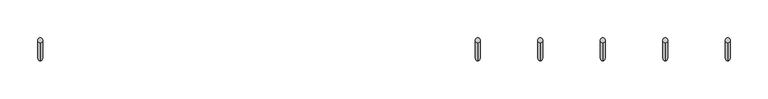
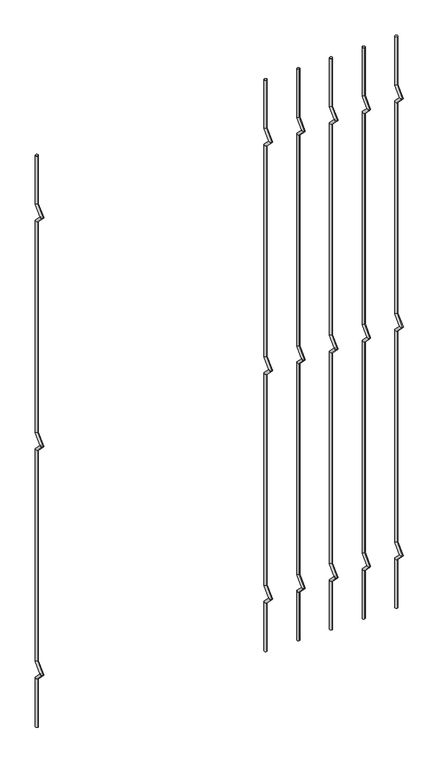
"""IFC4 building model written with IfcOpenShell, lengths in millimetres: railing geometry."""

from ifc_helpers import new_model, si_unit, frame, origin, place, context, project, spatial, circle_curve, ellipse_curve, source, transform, mapped, element, save
from ifc_brep_helpers import plane_surface, cylinder_surface, advanced_brep


def railing_b15d414a(model_context):
    return source(origin(), model_context, "Body", "AdvancedBrep", [
        advanced_brep(
        [(-20398.3556958, 13589.3554142, 25.4), (-20398.3556958, 13583.0054142, 25.4), (-20398.3556958, 13583.0054142, 154.0342316), (-20398.3556958, 13589.3554142, 156.6644878), (-20398.3556958, 13559.2396458, 177.8), (-20398.3556958, 13568.219902, 177.8), (-20398.3556958, 13583.0054142, 201.5657684), (-20398.3556958, 13589.3554142, 198.9355122), (-20398.3556958, 13583.0054142, 763.6342316), (-20398.3556958, 13589.3554142, 766.2644878), (-20398.3556958, 13559.2396458, 787.4), (-20398.3556958, 13568.219902, 787.4), (-20398.3556958, 13583.0054142, 811.1657684), (-20398.3556958, 13589.3554142, 808.5355122), (-20398.3556958, 13583.0054142, 1373.2342316), (-20398.3556958, 13589.3554142, 1375.8644878), (-20398.3556958, 13559.2396458, 1397.0), (-20398.3556958, 13568.219902, 1397.0), (-20398.3556958, 13583.0054142, 1420.7657684), (-20398.3556958, 13589.3554142, 1418.1355122), (-20398.3556958, 13589.3554142, 1549.4), (-20398.3556958, 13583.0054142, 1549.4)],
        [
            (0, 1, circle_curve(frame((-20398.3556958, 13586.1804142, 25.4), z_axis=(0.0, 0.0, -1.0), x_axis=(0.0, -1.0, 0.0)), 3.175)),
            (1, 0, circle_curve(frame((-20398.3556958, 13586.1804142, 25.4), z_axis=(0.0, 0.0, -1.0), x_axis=(0.0, -1.0, 0.0)), 3.175)),
            (1, 2),
            (2, 3, ellipse_curve(frame((-20398.3556958, 13586.1804142, 155.3493597), z_axis=(0.0, 0.3826834323650955, -0.9238795325112844), x_axis=(0.0, -0.9238795325112845, -0.38268343236509544)), 3.4365952, 3.175)),
            (3, 0),
            (3, 2, ellipse_curve(frame((-20398.3556958, 13586.1804142, 155.3493597), z_axis=(0.0, 0.3826834323650955, -0.9238795325112844), x_axis=(0.0, -0.9238795325112845, -0.38268343236509544)), 3.4365952, 3.175)),
            (2, 4),
            (4, 5, ellipse_curve(frame((-20398.3556958, 13563.7297739, 177.8), z_axis=(0.0, 0.0, -1.0), x_axis=(0.0, 1.0, 0.0)), 4.4901281, 3.175)),
            (5, 3),
            (5, 4, ellipse_curve(frame((-20398.3556958, 13563.7297739, 177.8), z_axis=(0.0, 0.0, -1.0), x_axis=(0.0, 1.0, 0.0)), 4.4901281, 3.175)),
            (4, 6),
            (6, 7, ellipse_curve(frame((-20398.3556958, 13586.1804142, 200.2506403), z_axis=(0.0, -0.3826834323650839, -0.9238795325112892), x_axis=(0.0, -0.9238795325112893, 0.38268343236508373)), 3.4365952, 3.175)),
            (7, 5),
            (7, 6, ellipse_curve(frame((-20398.3556958, 13586.1804142, 200.2506403), z_axis=(0.0, -0.3826834323650839, -0.9238795325112892), x_axis=(0.0, -0.9238795325112893, 0.38268343236508373)), 3.4365952, 3.175)),
            (6, 8),
            (8, 9, ellipse_curve(frame((-20398.3556958, 13586.1804142, 764.9493597), z_axis=(0.0, 0.3826834323651107, -0.9238795325112781), x_axis=(0.0, -0.9238795325112781, -0.3826834323651108)), 3.4365952, 3.175)),
            (9, 7),
            (9, 8, ellipse_curve(frame((-20398.3556958, 13586.1804142, 764.9493597), z_axis=(0.0, 0.3826834323651107, -0.9238795325112781), x_axis=(0.0, -0.9238795325112781, -0.3826834323651108)), 3.4365952, 3.175)),
            (8, 10),
            (10, 11, ellipse_curve(frame((-20398.3556958, 13563.7297739, 787.4), z_axis=(0.0, 0.0, -1.0), x_axis=(0.0, 1.0, 0.0)), 4.4901281, 3.175)),
            (11, 9),
            (11, 10, ellipse_curve(frame((-20398.3556958, 13563.7297739, 787.4), z_axis=(0.0, 0.0, -1.0), x_axis=(0.0, 1.0, 0.0)), 4.4901281, 3.175)),
            (10, 12),
            (12, 13, ellipse_curve(frame((-20398.3556958, 13586.1804142, 809.8506403), z_axis=(0.0, -0.3826834323650702, -0.9238795325112948), x_axis=(0.0, -0.9238795325112948, 0.38268343236507046)), 3.4365952, 3.175)),
            (13, 11),
            (13, 12, ellipse_curve(frame((-20398.3556958, 13586.1804142, 809.8506403), z_axis=(0.0, -0.3826834323650702, -0.9238795325112948), x_axis=(0.0, -0.9238795325112948, 0.38268343236507046)), 3.4365952, 3.175)),
            (12, 14),
            (14, 15, ellipse_curve(frame((-20398.3556958, 13586.1804142, 1374.5493597), z_axis=(0.0, 0.3826834323650811, -0.9238795325112903), x_axis=(0.0, -0.9238795325112901, -0.3826834323650815)), 3.4365952, 3.175)),
            (15, 13),
            (15, 14, ellipse_curve(frame((-20398.3556958, 13586.1804142, 1374.5493597), z_axis=(0.0, 0.3826834323650811, -0.9238795325112903), x_axis=(0.0, -0.9238795325112901, -0.3826834323650815)), 3.4365952, 3.175)),
            (14, 16),
            (16, 17, ellipse_curve(frame((-20398.3556958, 13563.7297739, 1397.0), z_axis=(0.0, 0.0, -1.0), x_axis=(0.0, 1.0, 0.0)), 4.4901281, 3.175)),
            (17, 15),
            (17, 16, ellipse_curve(frame((-20398.3556958, 13563.7297739, 1397.0), z_axis=(0.0, 0.0, -1.0), x_axis=(0.0, 1.0, 0.0)), 4.4901281, 3.175)),
            (16, 18),
            (18, 19, ellipse_curve(frame((-20398.3556958, 13586.1804142, 1419.4506403), z_axis=(0.0, -0.38268343236509844, -0.9238795325112833), x_axis=(0.0, -0.9238795325112827, 0.38268343236509916)), 3.4365952, 3.175)),
            (19, 17),
            (19, 18, ellipse_curve(frame((-20398.3556958, 13586.1804142, 1419.4506403), z_axis=(0.0, -0.38268343236509844, -0.9238795325112833), x_axis=(0.0, -0.9238795325112827, 0.38268343236509916)), 3.4365952, 3.175)),
            (20, 21, circle_curve(frame((-20398.3556958, 13586.1804142, 1549.4), z_axis=(0.0, 0.0, 1.0), x_axis=(0.0, -1.0, 0.0)), 3.175)),
            (21, 20, circle_curve(frame((-20398.3556958, 13586.1804142, 1549.4), z_axis=(0.0, 0.0, 1.0), x_axis=(0.0, -1.0, 0.0)), 3.175)),
            (18, 21),
            (20, 19),
        ],
        [
            plane_surface(frame((-20398.3556958, 13586.1804142, 25.4), z_axis=(0.0, 0.0, -1.0), x_axis=(-1.0, 0.0, 0.0))),
            cylinder_surface(frame((-20398.3556958, 13586.1804142, 25.4), z_axis=(0.0, 0.0, -1.0), x_axis=(0.0, -1.0, 0.0)), 3.175),
            cylinder_surface(frame((-20398.3556958, 13586.1804142, 155.3493597), z_axis=(0.0, 0.7071067811865563, -0.7071067811865388), x_axis=(0.0, -0.7071067811865388, -0.7071067811865563)), 3.175),
            cylinder_surface(frame((-20398.3556958, 13563.7297739, 177.8), z_axis=(0.0, -0.7071067811865385, -0.7071067811865568), x_axis=(0.0, -0.7071067811865568, 0.7071067811865385)), 3.175),
            cylinder_surface(frame((-20398.3556958, 13586.1804142, 200.2506403), z_axis=(0.0, 0.0, -1.0), x_axis=(0.0, -1.0, 0.0)), 3.175),
            cylinder_surface(frame((-20398.3556958, 13586.1804142, 764.9493597), z_axis=(0.0, 0.7071067811865798, -0.7071067811865153), x_axis=(0.0, -0.7071067811865153, -0.7071067811865798)), 3.175),
            cylinder_surface(frame((-20398.3556958, 13563.7297739, 787.4), z_axis=(0.0, -0.7071067811865173, -0.7071067811865779), x_axis=(0.0, -0.7071067811865779, 0.7071067811865173)), 3.175),
            cylinder_surface(frame((-20398.3556958, 13586.1804142, 809.8506403), z_axis=(0.0, 0.0, -1.0), x_axis=(0.0, -1.0, 0.0)), 3.175),
            cylinder_surface(frame((-20398.3556958, 13586.1804142, 1374.5493597), z_axis=(0.0, 0.7071067811865346, -0.7071067811865605), x_axis=(0.0, -0.7071067811865605, -0.7071067811865346)), 3.175),
            cylinder_surface(frame((-20398.3556958, 13563.7297739, 1397.0), z_axis=(0.0, -0.7071067811865608, -0.7071067811865344), x_axis=(0.0, -0.7071067811865344, 0.7071067811865608)), 3.175),
            plane_surface(frame((-20398.3556958, 13586.1804142, 1549.4), z_axis=(0.0, 0.0, 1.0), x_axis=(-1.0, 0.0, 0.0))),
            cylinder_surface(frame((-20398.3556958, 13586.1804142, 1419.4506403), z_axis=(0.0, 0.0, -1.0), x_axis=(0.0, -1.0, 0.0)), 3.175),
        ],
        [
            (0, [[1, 2]]),
            (1, [[3, 4, 5, -2]]),
            (1, [[-5, 6, -3, -1]]),
            (2, [[7, 8, 9, -4]]),
            (2, [[-9, 10, -7, -6]]),
            (3, [[11, 12, 13, -8]]),
            (3, [[-13, 14, -11, -10]]),
            (4, [[15, 16, 17, -12]]),
            (4, [[-17, 18, -15, -14]]),
            (5, [[19, 20, 21, -16]]),
            (5, [[-21, 22, -19, -18]]),
            (6, [[23, 24, 25, -20]]),
            (6, [[-25, 26, -23, -22]]),
            (7, [[27, 28, 29, -24]]),
            (7, [[-29, 30, -27, -26]]),
            (8, [[31, 32, 33, -28]]),
            (8, [[-33, 34, -31, -30]]),
            (9, [[35, 36, 37, -32]]),
            (9, [[-37, 38, -35, -34]]),
            (10, [[39, 40]]),
            (11, [[41, -39, 42, -36]]),
            (11, [[-42, -40, -41, -38]]),
        ],
    ),
        advanced_brep(
        [(-20315.8056958, 13589.3554142, 25.4), (-20315.8056958, 13583.0054142, 25.4), (-20315.8056958, 13583.0054142, 154.0342316), (-20315.8056958, 13589.3554142, 156.6644878), (-20315.8056958, 13559.2396458, 177.8), (-20315.8056958, 13568.219902, 177.8), (-20315.8056958, 13583.0054142, 201.5657684), (-20315.8056958, 13589.3554142, 198.9355122), (-20315.8056958, 13583.0054142, 763.6342316), (-20315.8056958, 13589.3554142, 766.2644878), (-20315.8056958, 13559.2396458, 787.4), (-20315.8056958, 13568.219902, 787.4), (-20315.8056958, 13583.0054142, 811.1657684), (-20315.8056958, 13589.3554142, 808.5355122), (-20315.8056958, 13583.0054142, 1373.2342316), (-20315.8056958, 13589.3554142, 1375.8644878), (-20315.8056958, 13559.2396458, 1397.0), (-20315.8056958, 13568.219902, 1397.0), (-20315.8056958, 13583.0054142, 1420.7657684), (-20315.8056958, 13589.3554142, 1418.1355122), (-20315.8056958, 13589.3554142, 1549.4), (-20315.8056958, 13583.0054142, 1549.4)],
        [
            (0, 1, circle_curve(frame((-20315.8056958, 13586.1804142, 25.4), z_axis=(0.0, 0.0, -1.0), x_axis=(0.0, -1.0, 0.0)), 3.175)),
            (1, 0, circle_curve(frame((-20315.8056958, 13586.1804142, 25.4), z_axis=(0.0, 0.0, -1.0), x_axis=(0.0, -1.0, 0.0)), 3.175)),
            (1, 2),
            (2, 3, ellipse_curve(frame((-20315.8056958, 13586.1804142, 155.3493597), z_axis=(0.0, 0.3826834323650955, -0.9238795325112844), x_axis=(0.0, -0.9238795325112845, -0.38268343236509544)), 3.4365952, 3.175)),
            (3, 0),
            (3, 2, ellipse_curve(frame((-20315.8056958, 13586.1804142, 155.3493597), z_axis=(0.0, 0.3826834323650955, -0.9238795325112844), x_axis=(0.0, -0.9238795325112845, -0.38268343236509544)), 3.4365952, 3.175)),
            (2, 4),
            (4, 5, ellipse_curve(frame((-20315.8056958, 13563.7297739, 177.8), z_axis=(0.0, 0.0, -1.0), x_axis=(0.0, 1.0, 0.0)), 4.4901281, 3.175)),
            (5, 3),
            (5, 4, ellipse_curve(frame((-20315.8056958, 13563.7297739, 177.8), z_axis=(0.0, 0.0, -1.0), x_axis=(0.0, 1.0, 0.0)), 4.4901281, 3.175)),
            (4, 6),
            (6, 7, ellipse_curve(frame((-20315.8056958, 13586.1804142, 200.2506403), z_axis=(0.0, -0.3826834323650839, -0.9238795325112892), x_axis=(0.0, -0.9238795325112893, 0.38268343236508373)), 3.4365952, 3.175)),
            (7, 5),
            (7, 6, ellipse_curve(frame((-20315.8056958, 13586.1804142, 200.2506403), z_axis=(0.0, -0.3826834323650839, -0.9238795325112892), x_axis=(0.0, -0.9238795325112893, 0.38268343236508373)), 3.4365952, 3.175)),
            (6, 8),
            (8, 9, ellipse_curve(frame((-20315.8056958, 13586.1804142, 764.9493597), z_axis=(0.0, 0.3826834323651107, -0.9238795325112781), x_axis=(0.0, -0.9238795325112781, -0.3826834323651108)), 3.4365952, 3.175)),
            (9, 7),
            (9, 8, ellipse_curve(frame((-20315.8056958, 13586.1804142, 764.9493597), z_axis=(0.0, 0.3826834323651107, -0.9238795325112781), x_axis=(0.0, -0.9238795325112781, -0.3826834323651108)), 3.4365952, 3.175)),
            (8, 10),
            (10, 11, ellipse_curve(frame((-20315.8056958, 13563.7297739, 787.4), z_axis=(0.0, 0.0, -1.0), x_axis=(0.0, 1.0, 0.0)), 4.4901281, 3.175)),
            (11, 9),
            (11, 10, ellipse_curve(frame((-20315.8056958, 13563.7297739, 787.4), z_axis=(0.0, 0.0, -1.0), x_axis=(0.0, 1.0, 0.0)), 4.4901281, 3.175)),
            (10, 12),
            (12, 13, ellipse_curve(frame((-20315.8056958, 13586.1804142, 809.8506403), z_axis=(0.0, -0.3826834323650702, -0.9238795325112948), x_axis=(0.0, -0.9238795325112948, 0.38268343236507046)), 3.4365952, 3.175)),
            (13, 11),
            (13, 12, ellipse_curve(frame((-20315.8056958, 13586.1804142, 809.8506403), z_axis=(0.0, -0.3826834323650702, -0.9238795325112948), x_axis=(0.0, -0.9238795325112948, 0.38268343236507046)), 3.4365952, 3.175)),
            (12, 14),
            (14, 15, ellipse_curve(frame((-20315.8056958, 13586.1804142, 1374.5493597), z_axis=(0.0, 0.3826834323650811, -0.9238795325112903), x_axis=(0.0, -0.9238795325112901, -0.3826834323650815)), 3.4365952, 3.175)),
            (15, 13),
            (15, 14, ellipse_curve(frame((-20315.8056958, 13586.1804142, 1374.5493597), z_axis=(0.0, 0.3826834323650811, -0.9238795325112903), x_axis=(0.0, -0.9238795325112901, -0.3826834323650815)), 3.4365952, 3.175)),
            (14, 16),
            (16, 17, ellipse_curve(frame((-20315.8056958, 13563.7297739, 1397.0), z_axis=(0.0, 0.0, -1.0), x_axis=(0.0, 1.0, 0.0)), 4.4901281, 3.175)),
            (17, 15),
            (17, 16, ellipse_curve(frame((-20315.8056958, 13563.7297739, 1397.0), z_axis=(0.0, 0.0, -1.0), x_axis=(0.0, 1.0, 0.0)), 4.4901281, 3.175)),
            (16, 18),
            (18, 19, ellipse_curve(frame((-20315.8056958, 13586.1804142, 1419.4506403), z_axis=(0.0, -0.38268343236509844, -0.9238795325112833), x_axis=(0.0, -0.9238795325112827, 0.38268343236509916)), 3.4365952, 3.175)),
            (19, 17),
            (19, 18, ellipse_curve(frame((-20315.8056958, 13586.1804142, 1419.4506403), z_axis=(0.0, -0.38268343236509844, -0.9238795325112833), x_axis=(0.0, -0.9238795325112827, 0.38268343236509916)), 3.4365952, 3.175)),
            (20, 21, circle_curve(frame((-20315.8056958, 13586.1804142, 1549.4), z_axis=(0.0, 0.0, 1.0), x_axis=(0.0, -1.0, 0.0)), 3.175)),
            (21, 20, circle_curve(frame((-20315.8056958, 13586.1804142, 1549.4), z_axis=(0.0, 0.0, 1.0), x_axis=(0.0, -1.0, 0.0)), 3.175)),
            (18, 21),
            (20, 19),
        ],
        [
            plane_surface(frame((-20315.8056958, 13586.1804142, 25.4), z_axis=(0.0, 0.0, -1.0), x_axis=(-1.0, 0.0, 0.0))),
            cylinder_surface(frame((-20315.8056958, 13586.1804142, 25.4), z_axis=(0.0, 0.0, -1.0), x_axis=(0.0, -1.0, 0.0)), 3.175),
            cylinder_surface(frame((-20315.8056958, 13586.1804142, 155.3493597), z_axis=(0.0, 0.7071067811865563, -0.7071067811865388), x_axis=(0.0, -0.7071067811865388, -0.7071067811865563)), 3.175),
            cylinder_surface(frame((-20315.8056958, 13563.7297739, 177.8), z_axis=(0.0, -0.7071067811865385, -0.7071067811865568), x_axis=(0.0, -0.7071067811865568, 0.7071067811865385)), 3.175),
            cylinder_surface(frame((-20315.8056958, 13586.1804142, 200.2506403), z_axis=(0.0, 0.0, -1.0), x_axis=(0.0, -1.0, 0.0)), 3.175),
            cylinder_surface(frame((-20315.8056958, 13586.1804142, 764.9493597), z_axis=(0.0, 0.7071067811865798, -0.7071067811865153), x_axis=(0.0, -0.7071067811865153, -0.7071067811865798)), 3.175),
            cylinder_surface(frame((-20315.8056958, 13563.7297739, 787.4), z_axis=(0.0, -0.7071067811865173, -0.7071067811865779), x_axis=(0.0, -0.7071067811865779, 0.7071067811865173)), 3.175),
            cylinder_surface(frame((-20315.8056958, 13586.1804142, 809.8506403), z_axis=(0.0, 0.0, -1.0), x_axis=(0.0, -1.0, 0.0)), 3.175),
            cylinder_surface(frame((-20315.8056958, 13586.1804142, 1374.5493597), z_axis=(0.0, 0.7071067811865346, -0.7071067811865605), x_axis=(0.0, -0.7071067811865605, -0.7071067811865346)), 3.175),
            cylinder_surface(frame((-20315.8056958, 13563.7297739, 1397.0), z_axis=(0.0, -0.7071067811865608, -0.7071067811865344), x_axis=(0.0, -0.7071067811865344, 0.7071067811865608)), 3.175),
            plane_surface(frame((-20315.8056958, 13586.1804142, 1549.4), z_axis=(0.0, 0.0, 1.0), x_axis=(-1.0, 0.0, 0.0))),
            cylinder_surface(frame((-20315.8056958, 13586.1804142, 1419.4506403), z_axis=(0.0, 0.0, -1.0), x_axis=(0.0, -1.0, 0.0)), 3.175),
        ],
        [
            (0, [[1, 2]]),
            (1, [[3, 4, 5, -2]]),
            (1, [[-5, 6, -3, -1]]),
            (2, [[7, 8, 9, -4]]),
            (2, [[-9, 10, -7, -6]]),
            (3, [[11, 12, 13, -8]]),
            (3, [[-13, 14, -11, -10]]),
            (4, [[15, 16, 17, -12]]),
            (4, [[-17, 18, -15, -14]]),
            (5, [[19, 20, 21, -16]]),
            (5, [[-21, 22, -19, -18]]),
            (6, [[23, 24, 25, -20]]),
            (6, [[-25, 26, -23, -22]]),
            (7, [[27, 28, 29, -24]]),
            (7, [[-29, 30, -27, -26]]),
            (8, [[31, 32, 33, -28]]),
            (8, [[-33, 34, -31, -30]]),
            (9, [[35, 36, 37, -32]]),
            (9, [[-37, 38, -35, -34]]),
            (10, [[39, 40]]),
            (11, [[41, -39, 42, -36]]),
            (11, [[-42, -40, -41, -38]]),
        ],
    ),
        advanced_brep(
        [(-20233.2556958, 13589.3554142, 25.4), (-20233.2556958, 13583.0054142, 25.4), (-20233.2556958, 13583.0054142, 154.0342316), (-20233.2556958, 13589.3554142, 156.6644878), (-20233.2556958, 13559.2396458, 177.8), (-20233.2556958, 13568.219902, 177.8), (-20233.2556958, 13583.0054142, 201.5657684), (-20233.2556958, 13589.3554142, 198.9355122), (-20233.2556958, 13583.0054142, 763.6342316), (-20233.2556958, 13589.3554142, 766.2644878), (-20233.2556958, 13559.2396458, 787.4), (-20233.2556958, 13568.219902, 787.4), (-20233.2556958, 13583.0054142, 811.1657684), (-20233.2556958, 13589.3554142, 808.5355122), (-20233.2556958, 13583.0054142, 1373.2342316), (-20233.2556958, 13589.3554142, 1375.8644878), (-20233.2556958, 13559.2396458, 1397.0), (-20233.2556958, 13568.219902, 1397.0), (-20233.2556958, 13583.0054142, 1420.7657684), (-20233.2556958, 13589.3554142, 1418.1355122), (-20233.2556958, 13589.3554142, 1549.4), (-20233.2556958, 13583.0054142, 1549.4)],
        [
            (0, 1, circle_curve(frame((-20233.2556958, 13586.1804142, 25.4), z_axis=(0.0, 0.0, -1.0), x_axis=(0.0, -1.0, 0.0)), 3.175)),
            (1, 0, circle_curve(frame((-20233.2556958, 13586.1804142, 25.4), z_axis=(0.0, 0.0, -1.0), x_axis=(0.0, -1.0, 0.0)), 3.175)),
            (1, 2),
            (2, 3, ellipse_curve(frame((-20233.2556958, 13586.1804142, 155.3493597), z_axis=(0.0, 0.3826834323650955, -0.9238795325112844), x_axis=(0.0, -0.9238795325112845, -0.38268343236509544)), 3.4365952, 3.175)),
            (3, 0),
            (3, 2, ellipse_curve(frame((-20233.2556958, 13586.1804142, 155.3493597), z_axis=(0.0, 0.3826834323650955, -0.9238795325112844), x_axis=(0.0, -0.9238795325112845, -0.38268343236509544)), 3.4365952, 3.175)),
            (2, 4),
            (4, 5, ellipse_curve(frame((-20233.2556958, 13563.7297739, 177.8), z_axis=(0.0, 0.0, -1.0), x_axis=(0.0, 1.0, 0.0)), 4.4901281, 3.175)),
            (5, 3),
            (5, 4, ellipse_curve(frame((-20233.2556958, 13563.7297739, 177.8), z_axis=(0.0, 0.0, -1.0), x_axis=(0.0, 1.0, 0.0)), 4.4901281, 3.175)),
            (4, 6),
            (6, 7, ellipse_curve(frame((-20233.2556958, 13586.1804142, 200.2506403), z_axis=(0.0, -0.3826834323650839, -0.9238795325112892), x_axis=(0.0, -0.9238795325112893, 0.38268343236508373)), 3.4365952, 3.175)),
            (7, 5),
            (7, 6, ellipse_curve(frame((-20233.2556958, 13586.1804142, 200.2506403), z_axis=(0.0, -0.3826834323650839, -0.9238795325112892), x_axis=(0.0, -0.9238795325112893, 0.38268343236508373)), 3.4365952, 3.175)),
            (6, 8),
            (8, 9, ellipse_curve(frame((-20233.2556958, 13586.1804142, 764.9493597), z_axis=(0.0, 0.3826834323651107, -0.9238795325112781), x_axis=(0.0, -0.9238795325112781, -0.3826834323651108)), 3.4365952, 3.175)),
            (9, 7),
            (9, 8, ellipse_curve(frame((-20233.2556958, 13586.1804142, 764.9493597), z_axis=(0.0, 0.3826834323651107, -0.9238795325112781), x_axis=(0.0, -0.9238795325112781, -0.3826834323651108)), 3.4365952, 3.175)),
            (8, 10),
            (10, 11, ellipse_curve(frame((-20233.2556958, 13563.7297739, 787.4), z_axis=(0.0, 0.0, -1.0), x_axis=(0.0, 1.0, 0.0)), 4.4901281, 3.175)),
            (11, 9),
            (11, 10, ellipse_curve(frame((-20233.2556958, 13563.7297739, 787.4), z_axis=(0.0, 0.0, -1.0), x_axis=(0.0, 1.0, 0.0)), 4.4901281, 3.175)),
            (10, 12),
            (12, 13, ellipse_curve(frame((-20233.2556958, 13586.1804142, 809.8506403), z_axis=(0.0, -0.3826834323650702, -0.9238795325112948), x_axis=(0.0, -0.9238795325112948, 0.38268343236507046)), 3.4365952, 3.175)),
            (13, 11),
            (13, 12, ellipse_curve(frame((-20233.2556958, 13586.1804142, 809.8506403), z_axis=(0.0, -0.3826834323650702, -0.9238795325112948), x_axis=(0.0, -0.9238795325112948, 0.38268343236507046)), 3.4365952, 3.175)),
            (12, 14),
            (14, 15, ellipse_curve(frame((-20233.2556958, 13586.1804142, 1374.5493597), z_axis=(0.0, 0.3826834323650811, -0.9238795325112903), x_axis=(0.0, -0.9238795325112901, -0.3826834323650815)), 3.4365952, 3.175)),
            (15, 13),
            (15, 14, ellipse_curve(frame((-20233.2556958, 13586.1804142, 1374.5493597), z_axis=(0.0, 0.3826834323650811, -0.9238795325112903), x_axis=(0.0, -0.9238795325112901, -0.3826834323650815)), 3.4365952, 3.175)),
            (14, 16),
            (16, 17, ellipse_curve(frame((-20233.2556958, 13563.7297739, 1397.0), z_axis=(0.0, 0.0, -1.0), x_axis=(0.0, 1.0, 0.0)), 4.4901281, 3.175)),
            (17, 15),
            (17, 16, ellipse_curve(frame((-20233.2556958, 13563.7297739, 1397.0), z_axis=(0.0, 0.0, -1.0), x_axis=(0.0, 1.0, 0.0)), 4.4901281, 3.175)),
            (16, 18),
            (18, 19, ellipse_curve(frame((-20233.2556958, 13586.1804142, 1419.4506403), z_axis=(0.0, -0.38268343236509844, -0.9238795325112833), x_axis=(0.0, -0.9238795325112827, 0.38268343236509916)), 3.4365952, 3.175)),
            (19, 17),
            (19, 18, ellipse_curve(frame((-20233.2556958, 13586.1804142, 1419.4506403), z_axis=(0.0, -0.38268343236509844, -0.9238795325112833), x_axis=(0.0, -0.9238795325112827, 0.38268343236509916)), 3.4365952, 3.175)),
            (20, 21, circle_curve(frame((-20233.2556958, 13586.1804142, 1549.4), z_axis=(0.0, 0.0, 1.0), x_axis=(0.0, -1.0, 0.0)), 3.175)),
            (21, 20, circle_curve(frame((-20233.2556958, 13586.1804142, 1549.4), z_axis=(0.0, 0.0, 1.0), x_axis=(0.0, -1.0, 0.0)), 3.175)),
            (18, 21),
            (20, 19),
        ],
        [
            plane_surface(frame((-20233.2556958, 13586.1804142, 25.4), z_axis=(0.0, 0.0, -1.0), x_axis=(-1.0, 0.0, 0.0))),
            cylinder_surface(frame((-20233.2556958, 13586.1804142, 25.4), z_axis=(0.0, 0.0, -1.0), x_axis=(0.0, -1.0, 0.0)), 3.175),
            cylinder_surface(frame((-20233.2556958, 13586.1804142, 155.3493597), z_axis=(0.0, 0.7071067811865563, -0.7071067811865388), x_axis=(0.0, -0.7071067811865388, -0.7071067811865563)), 3.175),
            cylinder_surface(frame((-20233.2556958, 13563.7297739, 177.8), z_axis=(0.0, -0.7071067811865385, -0.7071067811865568), x_axis=(0.0, -0.7071067811865568, 0.7071067811865385)), 3.175),
            cylinder_surface(frame((-20233.2556958, 13586.1804142, 200.2506403), z_axis=(0.0, 0.0, -1.0), x_axis=(0.0, -1.0, 0.0)), 3.175),
            cylinder_surface(frame((-20233.2556958, 13586.1804142, 764.9493597), z_axis=(0.0, 0.7071067811865798, -0.7071067811865153), x_axis=(0.0, -0.7071067811865153, -0.7071067811865798)), 3.175),
            cylinder_surface(frame((-20233.2556958, 13563.7297739, 787.4), z_axis=(0.0, -0.7071067811865173, -0.7071067811865779), x_axis=(0.0, -0.7071067811865779, 0.7071067811865173)), 3.175),
            cylinder_surface(frame((-20233.2556958, 13586.1804142, 809.8506403), z_axis=(0.0, 0.0, -1.0), x_axis=(0.0, -1.0, 0.0)), 3.175),
            cylinder_surface(frame((-20233.2556958, 13586.1804142, 1374.5493597), z_axis=(0.0, 0.7071067811865346, -0.7071067811865605), x_axis=(0.0, -0.7071067811865605, -0.7071067811865346)), 3.175),
            cylinder_surface(frame((-20233.2556958, 13563.7297739, 1397.0), z_axis=(0.0, -0.7071067811865608, -0.7071067811865344), x_axis=(0.0, -0.7071067811865344, 0.7071067811865608)), 3.175),
            plane_surface(frame((-20233.2556958, 13586.1804142, 1549.4), z_axis=(0.0, 0.0, 1.0), x_axis=(-1.0, 0.0, 0.0))),
            cylinder_surface(frame((-20233.2556958, 13586.1804142, 1419.4506403), z_axis=(0.0, 0.0, -1.0), x_axis=(0.0, -1.0, 0.0)), 3.175),
        ],
        [
            (0, [[1, 2]]),
            (1, [[3, 4, 5, -2]]),
            (1, [[-5, 6, -3, -1]]),
            (2, [[7, 8, 9, -4]]),
            (2, [[-9, 10, -7, -6]]),
            (3, [[11, 12, 13, -8]]),
            (3, [[-13, 14, -11, -10]]),
            (4, [[15, 16, 17, -12]]),
            (4, [[-17, 18, -15, -14]]),
            (5, [[19, 20, 21, -16]]),
            (5, [[-21, 22, -19, -18]]),
            (6, [[23, 24, 25, -20]]),
            (6, [[-25, 26, -23, -22]]),
            (7, [[27, 28, 29, -24]]),
            (7, [[-29, 30, -27, -26]]),
            (8, [[31, 32, 33, -28]]),
            (8, [[-33, 34, -31, -30]]),
            (9, [[35, 36, 37, -32]]),
            (9, [[-37, 38, -35, -34]]),
            (10, [[39, 40]]),
            (11, [[41, -39, 42, -36]]),
            (11, [[-42, -40, -41, -38]]),
        ],
    ),
        advanced_brep(
        [(-20150.7056958, 13589.3554142, 25.4), (-20150.7056958, 13583.0054142, 25.4), (-20150.7056958, 13583.0054142, 154.0342316), (-20150.7056958, 13589.3554142, 156.6644878), (-20150.7056958, 13559.2396458, 177.8), (-20150.7056958, 13568.219902, 177.8), (-20150.7056958, 13583.0054142, 201.5657684), (-20150.7056958, 13589.3554142, 198.9355122), (-20150.7056958, 13583.0054142, 763.6342316), (-20150.7056958, 13589.3554142, 766.2644878), (-20150.7056958, 13559.2396458, 787.4), (-20150.7056958, 13568.219902, 787.4), (-20150.7056958, 13583.0054142, 811.1657684), (-20150.7056958, 13589.3554142, 808.5355122), (-20150.7056958, 13583.0054142, 1373.2342316), (-20150.7056958, 13589.3554142, 1375.8644878), (-20150.7056958, 13559.2396458, 1397.0), (-20150.7056958, 13568.219902, 1397.0), (-20150.7056958, 13583.0054142, 1420.7657684), (-20150.7056958, 13589.3554142, 1418.1355122), (-20150.7056958, 13589.3554142, 1549.4), (-20150.7056958, 13583.0054142, 1549.4)],
        [
            (0, 1, circle_curve(frame((-20150.7056958, 13586.1804142, 25.4), z_axis=(0.0, 0.0, -1.0), x_axis=(0.0, -1.0, 0.0)), 3.175)),
            (1, 0, circle_curve(frame((-20150.7056958, 13586.1804142, 25.4), z_axis=(0.0, 0.0, -1.0), x_axis=(0.0, -1.0, 0.0)), 3.175)),
            (1, 2),
            (2, 3, ellipse_curve(frame((-20150.7056958, 13586.1804142, 155.3493597), z_axis=(0.0, 0.3826834323650955, -0.9238795325112844), x_axis=(0.0, -0.9238795325112845, -0.38268343236509544)), 3.4365952, 3.175)),
            (3, 0),
            (3, 2, ellipse_curve(frame((-20150.7056958, 13586.1804142, 155.3493597), z_axis=(0.0, 0.3826834323650955, -0.9238795325112844), x_axis=(0.0, -0.9238795325112845, -0.38268343236509544)), 3.4365952, 3.175)),
            (2, 4),
            (4, 5, ellipse_curve(frame((-20150.7056958, 13563.7297739, 177.8), z_axis=(0.0, 0.0, -1.0), x_axis=(0.0, 1.0, 0.0)), 4.4901281, 3.175)),
            (5, 3),
            (5, 4, ellipse_curve(frame((-20150.7056958, 13563.7297739, 177.8), z_axis=(0.0, 0.0, -1.0), x_axis=(0.0, 1.0, 0.0)), 4.4901281, 3.175)),
            (4, 6),
            (6, 7, ellipse_curve(frame((-20150.7056958, 13586.1804142, 200.2506403), z_axis=(0.0, -0.3826834323650839, -0.9238795325112892), x_axis=(0.0, -0.9238795325112893, 0.38268343236508373)), 3.4365952, 3.175)),
            (7, 5),
            (7, 6, ellipse_curve(frame((-20150.7056958, 13586.1804142, 200.2506403), z_axis=(0.0, -0.3826834323650839, -0.9238795325112892), x_axis=(0.0, -0.9238795325112893, 0.38268343236508373)), 3.4365952, 3.175)),
            (6, 8),
            (8, 9, ellipse_curve(frame((-20150.7056958, 13586.1804142, 764.9493597), z_axis=(0.0, 0.3826834323651107, -0.9238795325112781), x_axis=(0.0, -0.9238795325112781, -0.3826834323651108)), 3.4365952, 3.175)),
            (9, 7),
            (9, 8, ellipse_curve(frame((-20150.7056958, 13586.1804142, 764.9493597), z_axis=(0.0, 0.3826834323651107, -0.9238795325112781), x_axis=(0.0, -0.9238795325112781, -0.3826834323651108)), 3.4365952, 3.175)),
            (8, 10),
            (10, 11, ellipse_curve(frame((-20150.7056958, 13563.7297739, 787.4), z_axis=(0.0, 0.0, -1.0), x_axis=(0.0, 1.0, 0.0)), 4.4901281, 3.175)),
            (11, 9),
            (11, 10, ellipse_curve(frame((-20150.7056958, 13563.7297739, 787.4), z_axis=(0.0, 0.0, -1.0), x_axis=(0.0, 1.0, 0.0)), 4.4901281, 3.175)),
            (10, 12),
            (12, 13, ellipse_curve(frame((-20150.7056958, 13586.1804142, 809.8506403), z_axis=(0.0, -0.3826834323650702, -0.9238795325112948), x_axis=(0.0, -0.9238795325112948, 0.38268343236507046)), 3.4365952, 3.175)),
            (13, 11),
            (13, 12, ellipse_curve(frame((-20150.7056958, 13586.1804142, 809.8506403), z_axis=(0.0, -0.3826834323650702, -0.9238795325112948), x_axis=(0.0, -0.9238795325112948, 0.38268343236507046)), 3.4365952, 3.175)),
            (12, 14),
            (14, 15, ellipse_curve(frame((-20150.7056958, 13586.1804142, 1374.5493597), z_axis=(0.0, 0.3826834323650811, -0.9238795325112903), x_axis=(0.0, -0.9238795325112901, -0.3826834323650815)), 3.4365952, 3.175)),
            (15, 13),
            (15, 14, ellipse_curve(frame((-20150.7056958, 13586.1804142, 1374.5493597), z_axis=(0.0, 0.3826834323650811, -0.9238795325112903), x_axis=(0.0, -0.9238795325112901, -0.3826834323650815)), 3.4365952, 3.175)),
            (14, 16),
            (16, 17, ellipse_curve(frame((-20150.7056958, 13563.7297739, 1397.0), z_axis=(0.0, 0.0, -1.0), x_axis=(0.0, 1.0, 0.0)), 4.4901281, 3.175)),
            (17, 15),
            (17, 16, ellipse_curve(frame((-20150.7056958, 13563.7297739, 1397.0), z_axis=(0.0, 0.0, -1.0), x_axis=(0.0, 1.0, 0.0)), 4.4901281, 3.175)),
            (16, 18),
            (18, 19, ellipse_curve(frame((-20150.7056958, 13586.1804142, 1419.4506403), z_axis=(0.0, -0.38268343236509844, -0.9238795325112833), x_axis=(0.0, -0.9238795325112827, 0.38268343236509916)), 3.4365952, 3.175)),
            (19, 17),
            (19, 18, ellipse_curve(frame((-20150.7056958, 13586.1804142, 1419.4506403), z_axis=(0.0, -0.38268343236509844, -0.9238795325112833), x_axis=(0.0, -0.9238795325112827, 0.38268343236509916)), 3.4365952, 3.175)),
            (20, 21, circle_curve(frame((-20150.7056958, 13586.1804142, 1549.4), z_axis=(0.0, 0.0, 1.0), x_axis=(0.0, -1.0, 0.0)), 3.175)),
            (21, 20, circle_curve(frame((-20150.7056958, 13586.1804142, 1549.4), z_axis=(0.0, 0.0, 1.0), x_axis=(0.0, -1.0, 0.0)), 3.175)),
            (18, 21),
            (20, 19),
        ],
        [
            plane_surface(frame((-20150.7056958, 13586.1804142, 25.4), z_axis=(0.0, 0.0, -1.0), x_axis=(-1.0, 0.0, 0.0))),
            cylinder_surface(frame((-20150.7056958, 13586.1804142, 25.4), z_axis=(0.0, 0.0, -1.0), x_axis=(0.0, -1.0, 0.0)), 3.175),
            cylinder_surface(frame((-20150.7056958, 13586.1804142, 155.3493597), z_axis=(0.0, 0.7071067811865563, -0.7071067811865388), x_axis=(0.0, -0.7071067811865388, -0.7071067811865563)), 3.175),
            cylinder_surface(frame((-20150.7056958, 13563.7297739, 177.8), z_axis=(0.0, -0.7071067811865385, -0.7071067811865568), x_axis=(0.0, -0.7071067811865568, 0.7071067811865385)), 3.175),
            cylinder_surface(frame((-20150.7056958, 13586.1804142, 200.2506403), z_axis=(0.0, 0.0, -1.0), x_axis=(0.0, -1.0, 0.0)), 3.175),
            cylinder_surface(frame((-20150.7056958, 13586.1804142, 764.9493597), z_axis=(0.0, 0.7071067811865798, -0.7071067811865153), x_axis=(0.0, -0.7071067811865153, -0.7071067811865798)), 3.175),
            cylinder_surface(frame((-20150.7056958, 13563.7297739, 787.4), z_axis=(0.0, -0.7071067811865173, -0.7071067811865779), x_axis=(0.0, -0.7071067811865779, 0.7071067811865173)), 3.175),
            cylinder_surface(frame((-20150.7056958, 13586.1804142, 809.8506403), z_axis=(0.0, 0.0, -1.0), x_axis=(0.0, -1.0, 0.0)), 3.175),
            cylinder_surface(frame((-20150.7056958, 13586.1804142, 1374.5493597), z_axis=(0.0, 0.7071067811865346, -0.7071067811865605), x_axis=(0.0, -0.7071067811865605, -0.7071067811865346)), 3.175),
            cylinder_surface(frame((-20150.7056958, 13563.7297739, 1397.0), z_axis=(0.0, -0.7071067811865608, -0.7071067811865344), x_axis=(0.0, -0.7071067811865344, 0.7071067811865608)), 3.175),
            plane_surface(frame((-20150.7056958, 13586.1804142, 1549.4), z_axis=(0.0, 0.0, 1.0), x_axis=(-1.0, 0.0, 0.0))),
            cylinder_surface(frame((-20150.7056958, 13586.1804142, 1419.4506403), z_axis=(0.0, 0.0, -1.0), x_axis=(0.0, -1.0, 0.0)), 3.175),
        ],
        [
            (0, [[1, 2]]),
            (1, [[3, 4, 5, -2]]),
            (1, [[-5, 6, -3, -1]]),
            (2, [[7, 8, 9, -4]]),
            (2, [[-9, 10, -7, -6]]),
            (3, [[11, 12, 13, -8]]),
            (3, [[-13, 14, -11, -10]]),
            (4, [[15, 16, 17, -12]]),
            (4, [[-17, 18, -15, -14]]),
            (5, [[19, 20, 21, -16]]),
            (5, [[-21, 22, -19, -18]]),
            (6, [[23, 24, 25, -20]]),
            (6, [[-25, 26, -23, -22]]),
            (7, [[27, 28, 29, -24]]),
            (7, [[-29, 30, -27, -26]]),
            (8, [[31, 32, 33, -28]]),
            (8, [[-33, 34, -31, -30]]),
            (9, [[35, 36, 37, -32]]),
            (9, [[-37, 38, -35, -34]]),
            (10, [[39, 40]]),
            (11, [[41, -39, 42, -36]]),
            (11, [[-42, -40, -41, -38]]),
        ],
    ),
        advanced_brep(
        [(-20976.2056958, 13589.3554142, 25.4), (-20976.2056958, 13583.0054142, 25.4), (-20976.2056958, 13583.0054142, 154.0342316), (-20976.2056958, 13589.3554142, 156.6644878), (-20976.2056958, 13559.2396458, 177.8), (-20976.2056958, 13568.219902, 177.8), (-20976.2056958, 13583.0054142, 201.5657684), (-20976.2056958, 13589.3554142, 198.9355122), (-20976.2056958, 13583.0054142, 763.6342316), (-20976.2056958, 13589.3554142, 766.2644878), (-20976.2056958, 13559.2396458, 787.4), (-20976.2056958, 13568.219902, 787.4), (-20976.2056958, 13583.0054142, 811.1657684), (-20976.2056958, 13589.3554142, 808.5355122), (-20976.2056958, 13583.0054142, 1373.2342316), (-20976.2056958, 13589.3554142, 1375.8644878), (-20976.2056958, 13559.2396458, 1397.0), (-20976.2056958, 13568.219902, 1397.0), (-20976.2056958, 13583.0054142, 1420.7657684), (-20976.2056958, 13589.3554142, 1418.1355122), (-20976.2056958, 13589.3554142, 1549.4), (-20976.2056958, 13583.0054142, 1549.4)],
        [
            (0, 1, circle_curve(frame((-20976.2056958, 13586.1804142, 25.4), z_axis=(0.0, 0.0, -1.0), x_axis=(0.0, -1.0, 0.0)), 3.175)),
            (1, 0, circle_curve(frame((-20976.2056958, 13586.1804142, 25.4), z_axis=(0.0, 0.0, -1.0), x_axis=(0.0, -1.0, 0.0)), 3.175)),
            (1, 2),
            (2, 3, ellipse_curve(frame((-20976.2056958, 13586.1804142, 155.3493597), z_axis=(0.0, 0.3826834323650955, -0.9238795325112844), x_axis=(0.0, -0.9238795325112845, -0.38268343236509544)), 3.4365952, 3.175)),
            (3, 0),
            (3, 2, ellipse_curve(frame((-20976.2056958, 13586.1804142, 155.3493597), z_axis=(0.0, 0.3826834323650955, -0.9238795325112844), x_axis=(0.0, -0.9238795325112845, -0.38268343236509544)), 3.4365952, 3.175)),
            (2, 4),
            (4, 5, ellipse_curve(frame((-20976.2056958, 13563.7297739, 177.8), z_axis=(0.0, 0.0, -1.0), x_axis=(0.0, 1.0, 0.0)), 4.4901281, 3.175)),
            (5, 3),
            (5, 4, ellipse_curve(frame((-20976.2056958, 13563.7297739, 177.8), z_axis=(0.0, 0.0, -1.0), x_axis=(0.0, 1.0, 0.0)), 4.4901281, 3.175)),
            (4, 6),
            (6, 7, ellipse_curve(frame((-20976.2056958, 13586.1804142, 200.2506403), z_axis=(0.0, -0.3826834323650839, -0.9238795325112892), x_axis=(0.0, -0.9238795325112893, 0.38268343236508373)), 3.4365952, 3.175)),
            (7, 5),
            (7, 6, ellipse_curve(frame((-20976.2056958, 13586.1804142, 200.2506403), z_axis=(0.0, -0.3826834323650839, -0.9238795325112892), x_axis=(0.0, -0.9238795325112893, 0.38268343236508373)), 3.4365952, 3.175)),
            (6, 8),
            (8, 9, ellipse_curve(frame((-20976.2056958, 13586.1804142, 764.9493597), z_axis=(0.0, 0.3826834323651107, -0.9238795325112781), x_axis=(0.0, -0.9238795325112781, -0.3826834323651108)), 3.4365952, 3.175)),
            (9, 7),
            (9, 8, ellipse_curve(frame((-20976.2056958, 13586.1804142, 764.9493597), z_axis=(0.0, 0.3826834323651107, -0.9238795325112781), x_axis=(0.0, -0.9238795325112781, -0.3826834323651108)), 3.4365952, 3.175)),
            (8, 10),
            (10, 11, ellipse_curve(frame((-20976.2056958, 13563.7297739, 787.4), z_axis=(0.0, 0.0, -1.0), x_axis=(0.0, 1.0, 0.0)), 4.4901281, 3.175)),
            (11, 9),
            (11, 10, ellipse_curve(frame((-20976.2056958, 13563.7297739, 787.4), z_axis=(0.0, 0.0, -1.0), x_axis=(0.0, 1.0, 0.0)), 4.4901281, 3.175)),
            (10, 12),
            (12, 13, ellipse_curve(frame((-20976.2056958, 13586.1804142, 809.8506403), z_axis=(0.0, -0.3826834323650702, -0.9238795325112948), x_axis=(0.0, -0.9238795325112948, 0.38268343236507046)), 3.4365952, 3.175)),
            (13, 11),
            (13, 12, ellipse_curve(frame((-20976.2056958, 13586.1804142, 809.8506403), z_axis=(0.0, -0.3826834323650702, -0.9238795325112948), x_axis=(0.0, -0.9238795325112948, 0.38268343236507046)), 3.4365952, 3.175)),
            (12, 14),
            (14, 15, ellipse_curve(frame((-20976.2056958, 13586.1804142, 1374.5493597), z_axis=(0.0, 0.3826834323650811, -0.9238795325112903), x_axis=(0.0, -0.9238795325112901, -0.3826834323650815)), 3.4365952, 3.175)),
            (15, 13),
            (15, 14, ellipse_curve(frame((-20976.2056958, 13586.1804142, 1374.5493597), z_axis=(0.0, 0.3826834323650811, -0.9238795325112903), x_axis=(0.0, -0.9238795325112901, -0.3826834323650815)), 3.4365952, 3.175)),
            (14, 16),
            (16, 17, ellipse_curve(frame((-20976.2056958, 13563.7297739, 1397.0), z_axis=(0.0, 0.0, -1.0), x_axis=(0.0, 1.0, 0.0)), 4.4901281, 3.175)),
            (17, 15),
            (17, 16, ellipse_curve(frame((-20976.2056958, 13563.7297739, 1397.0), z_axis=(0.0, 0.0, -1.0), x_axis=(0.0, 1.0, 0.0)), 4.4901281, 3.175)),
            (16, 18),
            (18, 19, ellipse_curve(frame((-20976.2056958, 13586.1804142, 1419.4506403), z_axis=(0.0, -0.38268343236509844, -0.9238795325112833), x_axis=(0.0, -0.9238795325112827, 0.38268343236509916)), 3.4365952, 3.175)),
            (19, 17),
            (19, 18, ellipse_curve(frame((-20976.2056958, 13586.1804142, 1419.4506403), z_axis=(0.0, -0.38268343236509844, -0.9238795325112833), x_axis=(0.0, -0.9238795325112827, 0.38268343236509916)), 3.4365952, 3.175)),
            (20, 21, circle_curve(frame((-20976.2056958, 13586.1804142, 1549.4), z_axis=(0.0, 0.0, 1.0), x_axis=(0.0, -1.0, 0.0)), 3.175)),
            (21, 20, circle_curve(frame((-20976.2056958, 13586.1804142, 1549.4), z_axis=(0.0, 0.0, 1.0), x_axis=(0.0, -1.0, 0.0)), 3.175)),
            (18, 21),
            (20, 19),
        ],
        [
            plane_surface(frame((-20976.2056958, 13586.1804142, 25.4), z_axis=(0.0, 0.0, -1.0), x_axis=(-1.0, 0.0, 0.0))),
            cylinder_surface(frame((-20976.2056958, 13586.1804142, 25.4), z_axis=(0.0, 0.0, -1.0), x_axis=(0.0, -1.0, 0.0)), 3.175),
            cylinder_surface(frame((-20976.2056958, 13586.1804142, 155.3493597), z_axis=(0.0, 0.7071067811865563, -0.7071067811865388), x_axis=(0.0, -0.7071067811865388, -0.7071067811865563)), 3.175),
            cylinder_surface(frame((-20976.2056958, 13563.7297739, 177.8), z_axis=(0.0, -0.7071067811865385, -0.7071067811865568), x_axis=(0.0, -0.7071067811865568, 0.7071067811865385)), 3.175),
            cylinder_surface(frame((-20976.2056958, 13586.1804142, 200.2506403), z_axis=(0.0, 0.0, -1.0), x_axis=(0.0, -1.0, 0.0)), 3.175),
            cylinder_surface(frame((-20976.2056958, 13586.1804142, 764.9493597), z_axis=(0.0, 0.7071067811865798, -0.7071067811865153), x_axis=(0.0, -0.7071067811865153, -0.7071067811865798)), 3.175),
            cylinder_surface(frame((-20976.2056958, 13563.7297739, 787.4), z_axis=(0.0, -0.7071067811865173, -0.7071067811865779), x_axis=(0.0, -0.7071067811865779, 0.7071067811865173)), 3.175),
            cylinder_surface(frame((-20976.2056958, 13586.1804142, 809.8506403), z_axis=(0.0, 0.0, -1.0), x_axis=(0.0, -1.0, 0.0)), 3.175),
            cylinder_surface(frame((-20976.2056958, 13586.1804142, 1374.5493597), z_axis=(0.0, 0.7071067811865346, -0.7071067811865605), x_axis=(0.0, -0.7071067811865605, -0.7071067811865346)), 3.175),
            cylinder_surface(frame((-20976.2056958, 13563.7297739, 1397.0), z_axis=(0.0, -0.7071067811865608, -0.7071067811865344), x_axis=(0.0, -0.7071067811865344, 0.7071067811865608)), 3.175),
            plane_surface(frame((-20976.2056958, 13586.1804142, 1549.4), z_axis=(0.0, 0.0, 1.0), x_axis=(-1.0, 0.0, 0.0))),
            cylinder_surface(frame((-20976.2056958, 13586.1804142, 1419.4506403), z_axis=(0.0, 0.0, -1.0), x_axis=(0.0, -1.0, 0.0)), 3.175),
        ],
        [
            (0, [[1, 2]]),
            (1, [[3, 4, 5, -2]]),
            (1, [[-5, 6, -3, -1]]),
            (2, [[7, 8, 9, -4]]),
            (2, [[-9, 10, -7, -6]]),
            (3, [[11, 12, 13, -8]]),
            (3, [[-13, 14, -11, -10]]),
            (4, [[15, 16, 17, -12]]),
            (4, [[-17, 18, -15, -14]]),
            (5, [[19, 20, 21, -16]]),
            (5, [[-21, 22, -19, -18]]),
            (6, [[23, 24, 25, -20]]),
            (6, [[-25, 26, -23, -22]]),
            (7, [[27, 28, 29, -24]]),
            (7, [[-29, 30, -27, -26]]),
            (8, [[31, 32, 33, -28]]),
            (8, [[-33, 34, -31, -30]]),
            (9, [[35, 36, 37, -32]]),
            (9, [[-37, 38, -35, -34]]),
            (10, [[39, 40]]),
            (11, [[41, -39, 42, -36]]),
            (11, [[-42, -40, -41, -38]]),
        ],
    ),
        advanced_brep(
        [(-20068.1556958, 13589.3554142, 25.4), (-20068.1556958, 13583.0054142, 25.4), (-20068.1556958, 13583.0054142, 154.0342316), (-20068.1556958, 13589.3554142, 156.6644878), (-20068.1556958, 13559.2396458, 177.8), (-20068.1556958, 13568.219902, 177.8), (-20068.1556958, 13583.0054142, 201.5657684), (-20068.1556958, 13589.3554142, 198.9355122), (-20068.1556958, 13583.0054142, 763.6342316), (-20068.1556958, 13589.3554142, 766.2644878), (-20068.1556958, 13559.2396458, 787.4), (-20068.1556958, 13568.219902, 787.4), (-20068.1556958, 13583.0054142, 811.1657684), (-20068.1556958, 13589.3554142, 808.5355122), (-20068.1556958, 13583.0054142, 1373.2342316), (-20068.1556958, 13589.3554142, 1375.8644878), (-20068.1556958, 13559.2396458, 1397.0), (-20068.1556958, 13568.219902, 1397.0), (-20068.1556958, 13583.0054142, 1420.7657684), (-20068.1556958, 13589.3554142, 1418.1355122), (-20068.1556958, 13589.3554142, 1549.4), (-20068.1556958, 13583.0054142, 1549.4)],
        [
            (0, 1, circle_curve(frame((-20068.1556958, 13586.1804142, 25.4), z_axis=(0.0, 0.0, -1.0), x_axis=(0.0, -1.0, 0.0)), 3.175)),
            (1, 0, circle_curve(frame((-20068.1556958, 13586.1804142, 25.4), z_axis=(0.0, 0.0, -1.0), x_axis=(0.0, -1.0, 0.0)), 3.175)),
            (1, 2),
            (2, 3, ellipse_curve(frame((-20068.1556958, 13586.1804142, 155.3493597), z_axis=(0.0, 0.3826834323650955, -0.9238795325112844), x_axis=(0.0, -0.9238795325112845, -0.38268343236509544)), 3.4365952, 3.175)),
            (3, 0),
            (3, 2, ellipse_curve(frame((-20068.1556958, 13586.1804142, 155.3493597), z_axis=(0.0, 0.3826834323650955, -0.9238795325112844), x_axis=(0.0, -0.9238795325112845, -0.38268343236509544)), 3.4365952, 3.175)),
            (2, 4),
            (4, 5, ellipse_curve(frame((-20068.1556958, 13563.7297739, 177.8), z_axis=(0.0, 0.0, -1.0), x_axis=(0.0, 1.0, 0.0)), 4.4901281, 3.175)),
            (5, 3),
            (5, 4, ellipse_curve(frame((-20068.1556958, 13563.7297739, 177.8), z_axis=(0.0, 0.0, -1.0), x_axis=(0.0, 1.0, 0.0)), 4.4901281, 3.175)),
            (4, 6),
            (6, 7, ellipse_curve(frame((-20068.1556958, 13586.1804142, 200.2506403), z_axis=(0.0, -0.3826834323650839, -0.9238795325112892), x_axis=(0.0, -0.9238795325112893, 0.38268343236508373)), 3.4365952, 3.175)),
            (7, 5),
            (7, 6, ellipse_curve(frame((-20068.1556958, 13586.1804142, 200.2506403), z_axis=(0.0, -0.3826834323650839, -0.9238795325112892), x_axis=(0.0, -0.9238795325112893, 0.38268343236508373)), 3.4365952, 3.175)),
            (6, 8),
            (8, 9, ellipse_curve(frame((-20068.1556958, 13586.1804142, 764.9493597), z_axis=(0.0, 0.3826834323651107, -0.9238795325112781), x_axis=(0.0, -0.9238795325112781, -0.3826834323651108)), 3.4365952, 3.175)),
            (9, 7),
            (9, 8, ellipse_curve(frame((-20068.1556958, 13586.1804142, 764.9493597), z_axis=(0.0, 0.3826834323651107, -0.9238795325112781), x_axis=(0.0, -0.9238795325112781, -0.3826834323651108)), 3.4365952, 3.175)),
            (8, 10),
            (10, 11, ellipse_curve(frame((-20068.1556958, 13563.7297739, 787.4), z_axis=(0.0, 0.0, -1.0), x_axis=(0.0, 1.0, 0.0)), 4.4901281, 3.175)),
            (11, 9),
            (11, 10, ellipse_curve(frame((-20068.1556958, 13563.7297739, 787.4), z_axis=(0.0, 0.0, -1.0), x_axis=(0.0, 1.0, 0.0)), 4.4901281, 3.175)),
            (10, 12),
            (12, 13, ellipse_curve(frame((-20068.1556958, 13586.1804142, 809.8506403), z_axis=(0.0, -0.3826834323650702, -0.9238795325112948), x_axis=(0.0, -0.9238795325112948, 0.38268343236507046)), 3.4365952, 3.175)),
            (13, 11),
            (13, 12, ellipse_curve(frame((-20068.1556958, 13586.1804142, 809.8506403), z_axis=(0.0, -0.3826834323650702, -0.9238795325112948), x_axis=(0.0, -0.9238795325112948, 0.38268343236507046)), 3.4365952, 3.175)),
            (12, 14),
            (14, 15, ellipse_curve(frame((-20068.1556958, 13586.1804142, 1374.5493597), z_axis=(0.0, 0.3826834323650811, -0.9238795325112903), x_axis=(0.0, -0.9238795325112901, -0.3826834323650815)), 3.4365952, 3.175)),
            (15, 13),
            (15, 14, ellipse_curve(frame((-20068.1556958, 13586.1804142, 1374.5493597), z_axis=(0.0, 0.3826834323650811, -0.9238795325112903), x_axis=(0.0, -0.9238795325112901, -0.3826834323650815)), 3.4365952, 3.175)),
            (14, 16),
            (16, 17, ellipse_curve(frame((-20068.1556958, 13563.7297739, 1397.0), z_axis=(0.0, 0.0, -1.0), x_axis=(0.0, 1.0, 0.0)), 4.4901281, 3.175)),
            (17, 15),
            (17, 16, ellipse_curve(frame((-20068.1556958, 13563.7297739, 1397.0), z_axis=(0.0, 0.0, -1.0), x_axis=(0.0, 1.0, 0.0)), 4.4901281, 3.175)),
            (16, 18),
            (18, 19, ellipse_curve(frame((-20068.1556958, 13586.1804142, 1419.4506403), z_axis=(0.0, -0.38268343236509844, -0.9238795325112833), x_axis=(0.0, -0.9238795325112827, 0.38268343236509916)), 3.4365952, 3.175)),
            (19, 17),
            (19, 18, ellipse_curve(frame((-20068.1556958, 13586.1804142, 1419.4506403), z_axis=(0.0, -0.38268343236509844, -0.9238795325112833), x_axis=(0.0, -0.9238795325112827, 0.38268343236509916)), 3.4365952, 3.175)),
            (20, 21, circle_curve(frame((-20068.1556958, 13586.1804142, 1549.4), z_axis=(0.0, 0.0, 1.0), x_axis=(0.0, -1.0, 0.0)), 3.175)),
            (21, 20, circle_curve(frame((-20068.1556958, 13586.1804142, 1549.4), z_axis=(0.0, 0.0, 1.0), x_axis=(0.0, -1.0, 0.0)), 3.175)),
            (18, 21),
            (20, 19),
        ],
        [
            plane_surface(frame((-20068.1556958, 13586.1804142, 25.4), z_axis=(0.0, 0.0, -1.0), x_axis=(-1.0, 0.0, 0.0))),
            cylinder_surface(frame((-20068.1556958, 13586.1804142, 25.4), z_axis=(0.0, 0.0, -1.0), x_axis=(0.0, -1.0, 0.0)), 3.175),
            cylinder_surface(frame((-20068.1556958, 13586.1804142, 155.3493597), z_axis=(0.0, 0.7071067811865563, -0.7071067811865388), x_axis=(0.0, -0.7071067811865388, -0.7071067811865563)), 3.175),
            cylinder_surface(frame((-20068.1556958, 13563.7297739, 177.8), z_axis=(0.0, -0.7071067811865385, -0.7071067811865568), x_axis=(0.0, -0.7071067811865568, 0.7071067811865385)), 3.175),
            cylinder_surface(frame((-20068.1556958, 13586.1804142, 200.2506403), z_axis=(0.0, 0.0, -1.0), x_axis=(0.0, -1.0, 0.0)), 3.175),
            cylinder_surface(frame((-20068.1556958, 13586.1804142, 764.9493597), z_axis=(0.0, 0.7071067811865798, -0.7071067811865153), x_axis=(0.0, -0.7071067811865153, -0.7071067811865798)), 3.175),
            cylinder_surface(frame((-20068.1556958, 13563.7297739, 787.4), z_axis=(0.0, -0.7071067811865173, -0.7071067811865779), x_axis=(0.0, -0.7071067811865779, 0.7071067811865173)), 3.175),
            cylinder_surface(frame((-20068.1556958, 13586.1804142, 809.8506403), z_axis=(0.0, 0.0, -1.0), x_axis=(0.0, -1.0, 0.0)), 3.175),
            cylinder_surface(frame((-20068.1556958, 13586.1804142, 1374.5493597), z_axis=(0.0, 0.7071067811865346, -0.7071067811865605), x_axis=(0.0, -0.7071067811865605, -0.7071067811865346)), 3.175),
            cylinder_surface(frame((-20068.1556958, 13563.7297739, 1397.0), z_axis=(0.0, -0.7071067811865608, -0.7071067811865344), x_axis=(0.0, -0.7071067811865344, 0.7071067811865608)), 3.175),
            plane_surface(frame((-20068.1556958, 13586.1804142, 1549.4), z_axis=(0.0, 0.0, 1.0), x_axis=(-1.0, 0.0, 0.0))),
            cylinder_surface(frame((-20068.1556958, 13586.1804142, 1419.4506403), z_axis=(0.0, 0.0, -1.0), x_axis=(0.0, -1.0, 0.0)), 3.175),
        ],
        [
            (0, [[1, 2]]),
            (1, [[3, 4, 5, -2]]),
            (1, [[-5, 6, -3, -1]]),
            (2, [[7, 8, 9, -4]]),
            (2, [[-9, 10, -7, -6]]),
            (3, [[11, 12, 13, -8]]),
            (3, [[-13, 14, -11, -10]]),
            (4, [[15, 16, 17, -12]]),
            (4, [[-17, 18, -15, -14]]),
            (5, [[19, 20, 21, -16]]),
            (5, [[-21, 22, -19, -18]]),
            (6, [[23, 24, 25, -20]]),
            (6, [[-25, 26, -23, -22]]),
            (7, [[27, 28, 29, -24]]),
            (7, [[-29, 30, -27, -26]]),
            (8, [[31, 32, 33, -28]]),
            (8, [[-33, 34, -31, -30]]),
            (9, [[35, 36, 37, -32]]),
            (9, [[-37, 38, -35, -34]]),
            (10, [[39, 40]]),
            (11, [[41, -39, 42, -36]]),
            (11, [[-42, -40, -41, -38]]),
        ],
    ),
    ])


if __name__ == "__main__":
    model = new_model("IFC4")
    model_context = context("Model", 3, world=origin())
    ifc_project = project(units=[si_unit("LENGTHUNIT", "METRE", prefix="MILLI")], contexts=[model_context])
    site = spatial("IfcSite", under=ifc_project)
    building = spatial("IfcBuilding", under=site)
    placement = place(None, origin())
    railing_shape = railing_b15d414a(model_context)
    element("IfcRailing", 1, at=placement, inside=building, context=model_context, shape_type="MappedRepresentation", body=[
        mapped(railing_shape, transform((0.0, 0.0, 0.0), x_axis=(1.0, 0.0, 0.0), y_axis=(0.0, 1.0, 0.0), z_axis=(0.0, 0.0, 1.0))),
    ])
    save(model, "model.ifc")
